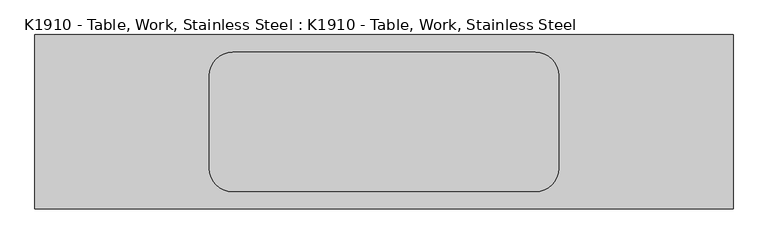
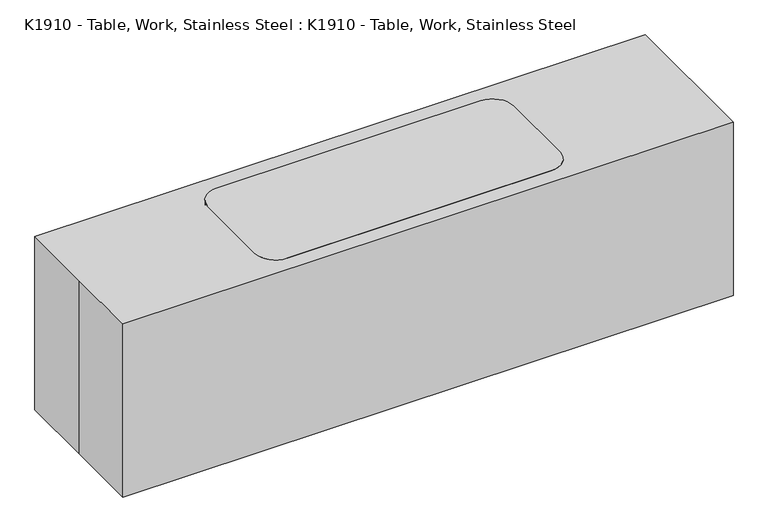
"""IFC4 building model written with IfcOpenShell, lengths in millimetres: proxy geometry, K1910 - Table, Work, Stainless Steel : K1910 - Table, Work, Stainless Steel."""

from ifc_helpers import new_model, si_unit, point, frame, frame_2d, origin, origin_with_axes, place, context, project, spatial, polyline, circle_curve, trimmed, segment, composite_curve, outline, extrude, source, transform, mapped, element, save


def k1910_table_work_stainless_steel_k1910_table_work_stainless_fd2b2388(model_context):
    return source(origin(), model_context, "Body", "SweptSolid", [
        extrude(outline(composite_curve([segment(trimmed(circle_curve(frame_2d((-660.4, -203.2)), 38.1), [point((-622.3, -203.2))], [point((-698.5, -203.2))], False, "CARTESIAN"), True, "CONTINUOUS"), segment(trimmed(circle_curve(frame_2d((-660.4, -203.2)), 38.1), [point((-698.5, -203.2))], [point((-622.3, -203.2))], False, "CARTESIAN"), True, "CONTINUOUS")], self_intersect=False)), origin_with_axes(), (0.0, 0.0, 1.0), 863.6),
        extrude(outline(composite_curve([segment(trimmed(circle_curve(frame_2d((-660.4, 203.2)), 38.1), [point((-622.3, 203.2))], [point((-698.5, 203.2))], False, "CARTESIAN"), True, "CONTINUOUS"), segment(trimmed(circle_curve(frame_2d((-660.4, 203.2)), 38.1), [point((-698.5, 203.2))], [point((-622.3, 203.2))], False, "CARTESIAN"), True, "CONTINUOUS")], self_intersect=False)), origin_with_axes(), (0.0, 0.0, 1.0), 863.6),
        extrude(outline(composite_curve([segment(trimmed(circle_curve(frame_2d((660.4, 203.2)), 38.1), [point((622.3, 203.2))], [point((660.4, 165.1))], True, "CARTESIAN"), True, "CONTINUOUS"), segment(polyline([(660.4, 165.1), (660.4, -165.1)]), True, "CONTINUOUS"), segment(trimmed(circle_curve(frame_2d((660.4, -203.2)), 38.1), [point((660.4, -165.1))], [point((622.3, -203.2))], True, "CARTESIAN"), True, "CONTINUOUS"), segment(polyline([(622.3, -203.2), (-622.3, -203.2)]), True, "CONTINUOUS"), segment(trimmed(circle_curve(frame_2d((-660.4, -203.2)), 38.1), [point((-622.3, -203.2))], [point((-660.4, -165.1))], True, "CARTESIAN"), True, "CONTINUOUS"), segment(polyline([(-660.4, -165.1), (-660.4, 165.1)]), True, "CONTINUOUS"), segment(trimmed(circle_curve(frame_2d((-660.4, 203.2)), 38.1), [point((-660.4, 165.1))], [point((-622.3, 203.2))], True, "CARTESIAN"), True, "CONTINUOUS"), segment(polyline([(-622.3, 203.2), (622.3, 203.2)]), True, "CONTINUOUS")], self_intersect=False)), frame((0.0, 0.0, 304.8), z_axis=(0.0, 0.0, 1.0), x_axis=(1.0, 0.0, 0.0)), (0.0, 0.0, 1.0), 25.4),
        extrude(outline(composite_curve([segment(trimmed(circle_curve(frame_2d((660.4, -203.2)), 38.1), [point((622.3, -203.2))], [point((698.5, -203.2))], False, "CARTESIAN"), True, "CONTINUOUS"), segment(trimmed(circle_curve(frame_2d((660.4, -203.2)), 38.1), [point((698.5, -203.2))], [point((622.3, -203.2))], False, "CARTESIAN"), True, "CONTINUOUS")], self_intersect=False)), origin_with_axes(), (0.0, 0.0, 1.0), 863.6),
        extrude(outline(composite_curve([segment(trimmed(circle_curve(frame_2d((660.4, 203.2)), 38.1), [point((622.3, 203.2))], [point((698.5, 203.2))], False, "CARTESIAN"), True, "CONTINUOUS"), segment(trimmed(circle_curve(frame_2d((660.4, 203.2)), 38.1), [point((698.5, 203.2))], [point((622.3, 203.2))], False, "CARTESIAN"), True, "CONTINUOUS")], self_intersect=False)), origin_with_axes(), (0.0, 0.0, 1.0), 863.6),
        extrude(outline(composite_curve([segment(trimmed(circle_curve(frame_2d((-660.4, 203.2)), 101.6), [point((-762.0, 203.2))], [point((-660.4, 304.8))], False, "CARTESIAN"), True, "CONTINUOUS"), segment(polyline([(-660.4, 304.8), (660.4, 304.8)]), True, "CONTINUOUS"), segment(trimmed(circle_curve(frame_2d((660.4, 203.2)), 101.6), [point((660.4, 304.8))], [point((762.0, 203.2))], False, "CARTESIAN"), True, "CONTINUOUS"), segment(polyline([(762.0, 203.2), (762.0, -203.2)]), True, "CONTINUOUS"), segment(trimmed(circle_curve(frame_2d((660.4, -203.2)), 101.6), [point((762.0, -203.2))], [point((660.4, -304.8))], False, "CARTESIAN"), True, "CONTINUOUS"), segment(polyline([(660.4, -304.8), (-660.4, -304.8)]), True, "CONTINUOUS"), segment(trimmed(circle_curve(frame_2d((-660.4, -203.2)), 101.6), [point((-660.4, -304.8))], [point((-762.0, -203.2))], False, "CARTESIAN"), True, "CONTINUOUS"), segment(polyline([(-762.0, -203.2), (-762.0, 203.2)]), True, "CONTINUOUS")], self_intersect=False)), frame((0.0, 0.0, 863.6), z_axis=(0.0, 0.0, 1.0), x_axis=(1.0, 0.0, 0.0)), (0.0, 0.0, 1.0), 50.8),
        extrude(outline(polyline([(-1524.0, 381.0), (1524.0, 381.0), (1524.0, -381.0), (-1524.0, -381.0), (-1524.0, 0.0), (-1524.0, 381.0)])), origin_with_axes(), (0.0, 0.0, 1.0), 914.4),
    ])


if __name__ == "__main__":
    model = new_model("IFC4")
    model_context = context("Model", 3, world=origin())
    ifc_project = project(units=[si_unit("LENGTHUNIT", "METRE", prefix="MILLI")], contexts=[model_context])
    site = spatial("IfcSite", under=ifc_project)
    building = spatial("IfcBuilding", under=site)
    placement = place(None, origin())
    k1910_table_work_stainless_steel_k1910_table_work_stainless_shape = k1910_table_work_stainless_steel_k1910_table_work_stainless_fd2b2388(model_context)
    element("IfcBuildingElementProxy", 1, Name="K1910 - Table, Work, Stainless Steel : K1910 - Table, Work, Stainless Steel", ObjectType="K1910 - Table, Work, Stainless Steel : K1910 - Table, Work, Stainless Steel", at=placement, inside=building, context=model_context, shape_type="MappedRepresentation", body=[
        mapped(k1910_table_work_stainless_steel_k1910_table_work_stainless_shape, transform((0.0, 0.0, 0.0), x_axis=(1.0, 0.0, 0.0), y_axis=(0.0, 1.0, 0.0), z_axis=(0.0, 0.0, 1.0))),
    ])
    save(model, "model.ifc")
